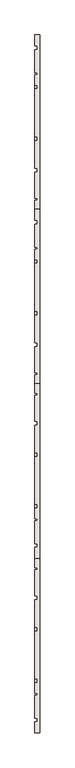
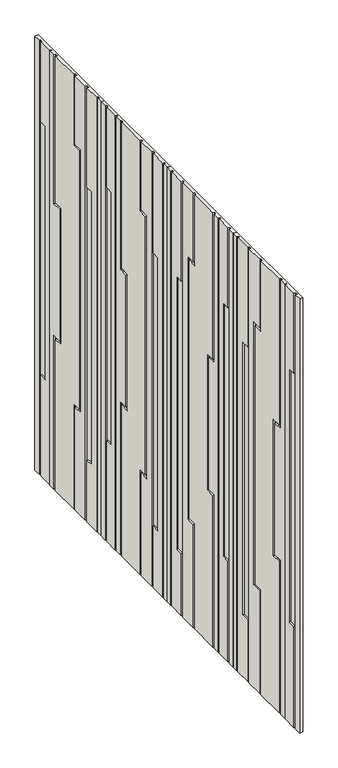
"""IFC4 building model written with IfcOpenShell, lengths in millimetres: wall geometry."""

from ifc_helpers import new_model, si_unit, origin, place, context, project, spatial, faceted_brep, source, transform, mapped, element, save


def wall_3038b630(model_context):
    return source(origin(), model_context, "Body", "Brep", [
        faceted_brep([(9222.7910444, 5882.6090398, 6736.0), (9222.7910444, 5882.6090398, 4508.0), (9222.7910444, 5876.6090398, 4508.0), (9222.7910444, 5876.6090398, 6736.0), (9222.7910444, 5793.6090398, 6736.0), (9222.7910444, 5793.6090398, 6225.0), (9222.7910444, 5833.6090398, 6225.0), (9222.7910444, 5833.6090398, 4825.0), (9222.7910444, 5793.6090398, 4825.0), (9222.7910444, 5793.6090398, 4508.0), (9222.7910444, 5781.6090398, 4508.0), (9222.7910444, 5781.6090398, 6736.0), (9222.7910444, 5693.077738, 5035.0), (9222.7910444, 5693.077738, 4508.0), (9222.7910444, 5681.077738, 4508.0), (9222.7910444, 5681.077738, 5047.0), (9222.7910444, 5729.077738, 5047.0), (9222.7910444, 5729.077738, 6373.0), (9222.7910444, 5681.077738, 6373.0), (9222.7910444, 5681.077738, 6736.0), (9222.7910444, 5693.077738, 6736.0), (9222.7910444, 5693.077738, 6385.0), (9222.7910444, 5741.077738, 6385.0), (9222.7910444, 5741.077738, 5035.0), (9222.7910444, 5528.6090398, 6736.0), (9222.7910444, 5528.6090398, 5985.0), (9222.7910444, 5576.6090398, 5985.0), (9222.7910444, 5576.6090398, 5285.0), (9222.7910444, 5528.6090398, 5285.0), (9222.7910444, 5528.6090398, 4508.0), (9222.7910444, 5516.6090398, 4508.0), (9222.7910444, 5516.6090398, 5297.0), (9222.7910444, 5564.6090398, 5297.0), (9222.7910444, 5564.6090398, 5973.0), (9222.7910444, 5516.6090398, 5973.0), (9222.7910444, 5516.6090398, 6736.0), (9222.7910444, 5476.6090398, 4508.0), (9222.7910444, 5476.6090398, 6736.0), (9222.7910444, 5482.6090398, 6736.0), (9222.7910444, 5482.6090398, 4508.0), (9222.7910444, 5443.6090398, 5025.0), (9222.7910444, 5403.6090398, 5025.0), (9222.7910444, 5403.6090398, 4508.0), (9222.7910444, 5391.6090398, 4508.0), (9222.7910444, 5391.6090398, 6736.0), (9222.7910444, 5403.6090398, 6736.0), (9222.7910444, 5403.6090398, 6325.0), (9222.7910444, 5443.6090398, 6325.0), (9214.7910444, 5876.6090398, 4508.0), (9214.7910444, 5876.6090398, 6736.0), (9214.7910444, 5882.6090398, 6736.0), (9214.7910444, 5882.6090398, 4508.0), (9214.7910444, 5781.6090398, 4508.0), (9214.7910444, 5781.6090398, 6736.0), (9214.7910444, 5793.6090398, 4825.0), (9214.7910444, 5793.6090398, 4508.0), (9214.7910444, 5833.6090398, 4825.0), (9214.7910444, 5833.6090398, 6225.0), (9214.7910444, 5793.6090398, 6225.0), (9214.7910444, 5793.6090398, 6736.0), (9214.7910444, 5741.077738, 5035.0), (9214.7910444, 5693.077738, 5035.0), (9214.7910444, 5741.077738, 6385.0), (9214.7910444, 5693.077738, 6385.0), (9214.7910444, 5693.077738, 6736.0), (9214.7910444, 5681.077738, 6373.0), (9214.7910444, 5681.077738, 6736.0), (9214.7910444, 5729.077738, 6373.0), (9214.7910444, 5729.077738, 5047.0), (9214.7910444, 5681.077738, 5047.0), (9214.7910444, 5681.077738, 4508.0), (9214.7910444, 5693.077738, 4508.0), (9214.7910444, 5516.6090398, 5973.0), (9214.7910444, 5516.6090398, 6736.0), (9214.7910444, 5564.6090398, 5973.0), (9214.7910444, 5564.6090398, 5297.0), (9214.7910444, 5516.6090398, 5297.0), (9214.7910444, 5516.6090398, 4508.0), (9214.7910444, 5528.6090398, 5285.0), (9214.7910444, 5528.6090398, 4508.0), (9214.7910444, 5576.6090398, 5285.0), (9214.7910444, 5576.6090398, 5985.0), (9214.7910444, 5528.6090398, 5985.0), (9214.7910444, 5528.6090398, 6736.0), (9214.7910444, 5482.6090398, 6736.0), (9214.7910444, 5482.6090398, 4508.0), (9214.7910444, 5476.6090398, 4508.0), (9214.7910444, 5476.6090398, 6736.0), (9214.7910444, 5443.6090398, 6325.0), (9214.7910444, 5443.6090398, 5025.0), (9214.7910444, 5403.6090398, 6325.0), (9214.7910444, 5403.6090398, 6736.0), (9214.7910444, 5391.6090398, 4508.0), (9214.7910444, 5391.6090398, 6736.0), (9214.7910444, 5403.6090398, 5025.0), (9214.7910444, 5403.6090398, 4508.0), (9214.7910444, 5356.3590398, 4508.0), (9214.7910444, 5356.3590398, 6736.0), (9214.7910444, 5912.6090398, 6736.0), (9214.7910444, 5912.6090398, 4508.0), (9230.7910444, 5356.3590398, 4508.0), (9230.7910444, 5912.6090398, 4508.0), (9230.7910444, 5912.6090398, 6736.0), (9230.7910444, 5356.3590398, 6736.0)], [[[0, 1, 2, 3]], [[4, 5, 6, 7, 8, 9, 10, 11]], [[12, 13, 14, 15, 16, 17, 18, 19, 20, 21, 22, 23]], [[24, 25, 26, 27, 28, 29, 30, 31, 32, 33, 34, 35]], [[36, 37, 38, 39]], [[40, 41, 42, 43, 44, 45, 46, 47]], [[3, 2, 48, 49]], [[1, 0, 50, 51]], [[11, 10, 52, 53]], [[9, 8, 54, 55]], [[8, 7, 56, 54]], [[7, 6, 57, 56]], [[6, 5, 58, 57]], [[5, 4, 59, 58]], [[12, 23, 60, 61]], [[23, 22, 62, 60]], [[22, 21, 63, 62]], [[21, 20, 64, 63]], [[19, 18, 65, 66]], [[18, 17, 67, 65]], [[17, 16, 68, 67]], [[16, 15, 69, 68]], [[15, 14, 70, 69]], [[13, 12, 61, 71]], [[35, 34, 72, 73]], [[34, 33, 74, 72]], [[33, 32, 75, 74]], [[32, 31, 76, 75]], [[31, 30, 77, 76]], [[29, 28, 78, 79]], [[28, 27, 80, 78]], [[27, 26, 81, 80]], [[26, 25, 82, 81]], [[25, 24, 83, 82]], [[39, 38, 84, 85]], [[37, 36, 86, 87]], [[40, 47, 88, 89]], [[47, 46, 90, 88]], [[46, 45, 91, 90]], [[44, 43, 92, 93]], [[42, 41, 94, 95]], [[41, 40, 89, 94]], [[96, 97, 93, 92]], [[98, 99, 51, 50]], [[64, 53, 52, 71, 61, 60, 62, 63]], [[59, 49, 48, 55, 54, 56, 57, 58]], [[83, 66, 65, 67, 68, 69, 70, 79, 78, 80, 81, 82]], [[84, 73, 72, 74, 75, 76, 77, 85]], [[91, 87, 86, 95, 94, 89, 88, 90]], [[100, 101, 102, 103]], [[97, 96, 100, 103]], [[103, 102, 98, 50, 0, 3, 49, 59, 4, 11, 53, 64, 20, 19, 66, 83, 24, 35, 73, 84, 38, 37, 87, 91, 45, 44, 93, 97]], [[99, 98, 102, 101]], [[101, 100, 96, 92, 43, 42, 95, 86, 36, 39, 85, 77, 30, 29, 79, 70, 14, 13, 71, 52, 10, 9, 55, 48, 2, 1, 51, 99]]]),
        faceted_brep([(9222.7910444, 5326.3590398, 6736.0), (9222.7910444, 5326.3590398, 4508.0), (9222.7910444, 5320.3590398, 4508.0), (9222.7910444, 5320.3590398, 6736.0), (9222.7910444, 5237.3590398, 6736.0), (9222.7910444, 5237.3590398, 6225.0), (9222.7910444, 5277.3590398, 6225.0), (9222.7910444, 5277.3590398, 4825.0), (9222.7910444, 5237.3590398, 4825.0), (9222.7910444, 5237.3590398, 4508.0), (9222.7910444, 5225.3590398, 4508.0), (9222.7910444, 5225.3590398, 6736.0), (9222.7910444, 5136.827738, 5035.0), (9222.7910444, 5136.827738, 4508.0), (9222.7910444, 5124.827738, 4508.0), (9222.7910444, 5124.827738, 5047.0), (9222.7910444, 5172.827738, 5047.0), (9222.7910444, 5172.827738, 6373.0), (9222.7910444, 5124.827738, 6373.0), (9222.7910444, 5124.827738, 6736.0), (9222.7910444, 5136.827738, 6736.0), (9222.7910444, 5136.827738, 6385.0), (9222.7910444, 5184.827738, 6385.0), (9222.7910444, 5184.827738, 5035.0), (9222.7910444, 4972.3590398, 6736.0), (9222.7910444, 4972.3590398, 5985.0), (9222.7910444, 5020.3590398, 5985.0), (9222.7910444, 5020.3590398, 5285.0), (9222.7910444, 4972.3590398, 5285.0), (9222.7910444, 4972.3590398, 4508.0), (9222.7910444, 4960.3590398, 4508.0), (9222.7910444, 4960.3590398, 5297.0), (9222.7910444, 5008.3590398, 5297.0), (9222.7910444, 5008.3590398, 5973.0), (9222.7910444, 4960.3590398, 5973.0), (9222.7910444, 4960.3590398, 6736.0), (9222.7910444, 4920.3590398, 4508.0), (9222.7910444, 4920.3590398, 6736.0), (9222.7910444, 4926.3590398, 6736.0), (9222.7910444, 4926.3590398, 4508.0), (9222.7910444, 4887.3590398, 5025.0), (9222.7910444, 4847.3590398, 5025.0), (9222.7910444, 4847.3590398, 4508.0), (9222.7910444, 4835.3590398, 4508.0), (9222.7910444, 4835.3590398, 6736.0), (9222.7910444, 4847.3590398, 6736.0), (9222.7910444, 4847.3590398, 6325.0), (9222.7910444, 4887.3590398, 6325.0), (9214.7910444, 5320.3590398, 4508.0), (9214.7910444, 5320.3590398, 6736.0), (9214.7910444, 5326.3590398, 6736.0), (9214.7910444, 5326.3590398, 4508.0), (9214.7910444, 5225.3590398, 4508.0), (9214.7910444, 5225.3590398, 6736.0), (9214.7910444, 5237.3590398, 4825.0), (9214.7910444, 5237.3590398, 4508.0), (9214.7910444, 5277.3590398, 4825.0), (9214.7910444, 5277.3590398, 6225.0), (9214.7910444, 5237.3590398, 6225.0), (9214.7910444, 5237.3590398, 6736.0), (9214.7910444, 5184.827738, 5035.0), (9214.7910444, 5136.827738, 5035.0), (9214.7910444, 5184.827738, 6385.0), (9214.7910444, 5136.827738, 6385.0), (9214.7910444, 5136.827738, 6736.0), (9214.7910444, 5124.827738, 6373.0), (9214.7910444, 5124.827738, 6736.0), (9214.7910444, 5172.827738, 6373.0), (9214.7910444, 5172.827738, 5047.0), (9214.7910444, 5124.827738, 5047.0), (9214.7910444, 5124.827738, 4508.0), (9214.7910444, 5136.827738, 4508.0), (9214.7910444, 4960.3590398, 5973.0), (9214.7910444, 4960.3590398, 6736.0), (9214.7910444, 5008.3590398, 5973.0), (9214.7910444, 5008.3590398, 5297.0), (9214.7910444, 4960.3590398, 5297.0), (9214.7910444, 4960.3590398, 4508.0), (9214.7910444, 4972.3590398, 5285.0), (9214.7910444, 4972.3590398, 4508.0), (9214.7910444, 5020.3590398, 5285.0), (9214.7910444, 5020.3590398, 5985.0), (9214.7910444, 4972.3590398, 5985.0), (9214.7910444, 4972.3590398, 6736.0), (9214.7910444, 4926.3590398, 6736.0), (9214.7910444, 4926.3590398, 4508.0), (9214.7910444, 4920.3590398, 4508.0), (9214.7910444, 4920.3590398, 6736.0), (9214.7910444, 4887.3590398, 6325.0), (9214.7910444, 4887.3590398, 5025.0), (9214.7910444, 4847.3590398, 6325.0), (9214.7910444, 4847.3590398, 6736.0), (9214.7910444, 4835.3590398, 4508.0), (9214.7910444, 4835.3590398, 6736.0), (9214.7910444, 4847.3590398, 5025.0), (9214.7910444, 4847.3590398, 4508.0), (9214.7910444, 4800.1090398, 4508.0), (9214.7910444, 4800.1090398, 6736.0), (9214.7910444, 5355.8590398, 6736.0), (9214.7910444, 5355.8590398, 4508.0), (9230.7910444, 4800.1090398, 4508.0), (9230.7910444, 5355.8590398, 4508.0), (9230.7910444, 5355.8590398, 6736.0), (9230.7910444, 4800.1090398, 6736.0)], [[[0, 1, 2, 3]], [[4, 5, 6, 7, 8, 9, 10, 11]], [[12, 13, 14, 15, 16, 17, 18, 19, 20, 21, 22, 23]], [[24, 25, 26, 27, 28, 29, 30, 31, 32, 33, 34, 35]], [[36, 37, 38, 39]], [[40, 41, 42, 43, 44, 45, 46, 47]], [[3, 2, 48, 49]], [[1, 0, 50, 51]], [[11, 10, 52, 53]], [[9, 8, 54, 55]], [[8, 7, 56, 54]], [[7, 6, 57, 56]], [[6, 5, 58, 57]], [[5, 4, 59, 58]], [[12, 23, 60, 61]], [[23, 22, 62, 60]], [[22, 21, 63, 62]], [[21, 20, 64, 63]], [[19, 18, 65, 66]], [[18, 17, 67, 65]], [[17, 16, 68, 67]], [[16, 15, 69, 68]], [[15, 14, 70, 69]], [[13, 12, 61, 71]], [[35, 34, 72, 73]], [[34, 33, 74, 72]], [[33, 32, 75, 74]], [[32, 31, 76, 75]], [[31, 30, 77, 76]], [[29, 28, 78, 79]], [[28, 27, 80, 78]], [[27, 26, 81, 80]], [[26, 25, 82, 81]], [[25, 24, 83, 82]], [[39, 38, 84, 85]], [[37, 36, 86, 87]], [[40, 47, 88, 89]], [[47, 46, 90, 88]], [[46, 45, 91, 90]], [[44, 43, 92, 93]], [[42, 41, 94, 95]], [[41, 40, 89, 94]], [[96, 97, 93, 92]], [[98, 99, 51, 50]], [[64, 53, 52, 71, 61, 60, 62, 63]], [[59, 49, 48, 55, 54, 56, 57, 58]], [[83, 66, 65, 67, 68, 69, 70, 79, 78, 80, 81, 82]], [[84, 73, 72, 74, 75, 76, 77, 85]], [[91, 87, 86, 95, 94, 89, 88, 90]], [[100, 101, 102, 103]], [[97, 96, 100, 103]], [[103, 102, 98, 50, 0, 3, 49, 59, 4, 11, 53, 64, 20, 19, 66, 83, 24, 35, 73, 84, 38, 37, 87, 91, 45, 44, 93, 97]], [[99, 98, 102, 101]], [[101, 100, 96, 92, 43, 42, 95, 86, 36, 39, 85, 77, 30, 29, 79, 70, 14, 13, 71, 52, 10, 9, 55, 48, 2, 1, 51, 99]]]),
        faceted_brep([(9222.7910444, 6504.8590398, 6736.0), (9222.7910444, 6504.8590398, 4508.0), (9222.7910444, 6498.8590398, 4508.0), (9222.7910444, 6498.8590398, 6736.0), (9222.7910444, 6599.8590398, 6736.0), (9222.7910444, 6599.8590398, 4508.0), (9222.7910444, 6587.8590398, 4508.0), (9222.7910444, 6587.8590398, 4825.0), (9222.7910444, 6547.8590398, 4825.0), (9222.7910444, 6547.8590398, 6225.0), (9222.7910444, 6587.8590398, 6225.0), (9222.7910444, 6587.8590398, 6736.0), (9222.7910444, 6688.3903416, 5035.0), (9222.7910444, 6640.3903416, 5035.0), (9222.7910444, 6640.3903416, 6385.0), (9222.7910444, 6688.3903416, 6385.0), (9222.7910444, 6688.3903416, 6736.0), (9222.7910444, 6700.3903416, 6736.0), (9222.7910444, 6700.3903416, 6373.0), (9222.7910444, 6652.3903416, 6373.0), (9222.7910444, 6652.3903416, 5047.0), (9222.7910444, 6700.3903416, 5047.0), (9222.7910444, 6700.3903416, 4508.0), (9222.7910444, 6688.3903416, 4508.0), (9222.7910444, 6864.8590398, 6736.0), (9222.7910444, 6864.8590398, 5973.0), (9222.7910444, 6816.8590398, 5973.0), (9222.7910444, 6816.8590398, 5297.0), (9222.7910444, 6864.8590398, 5297.0), (9222.7910444, 6864.8590398, 4508.0), (9222.7910444, 6852.8590398, 4508.0), (9222.7910444, 6852.8590398, 5285.0), (9222.7910444, 6804.8590398, 5285.0), (9222.7910444, 6804.8590398, 5985.0), (9222.7910444, 6852.8590398, 5985.0), (9222.7910444, 6852.8590398, 6736.0), (9222.7910444, 6898.8590398, 4508.0), (9222.7910444, 6898.8590398, 6736.0), (9222.7910444, 6904.8590398, 6736.0), (9222.7910444, 6904.8590398, 4508.0), (9222.7910444, 6937.8590398, 5025.0), (9222.7910444, 6937.8590398, 6325.0), (9222.7910444, 6977.8590398, 6325.0), (9222.7910444, 6977.8590398, 6736.0), (9222.7910444, 6989.8590398, 6736.0), (9222.7910444, 6989.8590398, 4508.0), (9222.7910444, 6977.8590398, 4508.0), (9222.7910444, 6977.8590398, 5025.0), (9214.7910444, 6469.3590398, 4508.0), (9214.7910444, 6469.3590398, 6736.0), (9214.7910444, 6498.8590398, 6736.0), (9214.7910444, 6498.8590398, 4508.0), (9214.7910444, 7025.1090398, 6736.0), (9214.7910444, 7025.1090398, 4508.0), (9214.7910444, 6989.8590398, 4508.0), (9214.7910444, 6989.8590398, 6736.0), (9214.7910444, 6504.8590398, 6736.0), (9214.7910444, 6587.8590398, 6736.0), (9214.7910444, 6587.8590398, 6225.0), (9214.7910444, 6547.8590398, 6225.0), (9214.7910444, 6547.8590398, 4825.0), (9214.7910444, 6587.8590398, 4825.0), (9214.7910444, 6587.8590398, 4508.0), (9214.7910444, 6504.8590398, 4508.0), (9214.7910444, 6599.8590398, 6736.0), (9214.7910444, 6688.3903416, 6736.0), (9214.7910444, 6688.3903416, 6385.0), (9214.7910444, 6640.3903416, 6385.0), (9214.7910444, 6640.3903416, 5035.0), (9214.7910444, 6688.3903416, 5035.0), (9214.7910444, 6688.3903416, 4508.0), (9214.7910444, 6599.8590398, 4508.0), (9214.7910444, 6700.3903416, 6736.0), (9214.7910444, 6852.8590398, 6736.0), (9214.7910444, 6852.8590398, 5985.0), (9214.7910444, 6804.8590398, 5985.0), (9214.7910444, 6804.8590398, 5285.0), (9214.7910444, 6852.8590398, 5285.0), (9214.7910444, 6852.8590398, 4508.0), (9214.7910444, 6700.3903416, 4508.0), (9214.7910444, 6700.3903416, 5047.0), (9214.7910444, 6652.3903416, 5047.0), (9214.7910444, 6652.3903416, 6373.0), (9214.7910444, 6700.3903416, 6373.0), (9214.7910444, 6864.8590398, 6736.0), (9214.7910444, 6898.8590398, 6736.0), (9214.7910444, 6898.8590398, 4508.0), (9214.7910444, 6864.8590398, 4508.0), (9214.7910444, 6864.8590398, 5297.0), (9214.7910444, 6816.8590398, 5297.0), (9214.7910444, 6816.8590398, 5973.0), (9214.7910444, 6864.8590398, 5973.0), (9214.7910444, 6904.8590398, 6736.0), (9214.7910444, 6977.8590398, 6736.0), (9214.7910444, 6977.8590398, 6325.0), (9214.7910444, 6937.8590398, 6325.0), (9214.7910444, 6937.8590398, 5025.0), (9214.7910444, 6977.8590398, 5025.0), (9214.7910444, 6977.8590398, 4508.0), (9214.7910444, 6904.8590398, 4508.0), (9230.7910444, 6469.3590398, 4508.0), (9230.7910444, 7025.1090398, 4508.0), (9230.7910444, 7025.1090398, 6736.0), (9230.7910444, 6469.3590398, 6736.0)], [[[0, 1, 2, 3]], [[4, 5, 6, 7, 8, 9, 10, 11]], [[12, 13, 14, 15, 16, 17, 18, 19, 20, 21, 22, 23]], [[24, 25, 26, 27, 28, 29, 30, 31, 32, 33, 34, 35]], [[36, 37, 38, 39]], [[40, 41, 42, 43, 44, 45, 46, 47]], [[48, 49, 50, 51]], [[52, 53, 54, 55]], [[56, 57, 58, 59, 60, 61, 62, 63]], [[64, 65, 66, 67, 68, 69, 70, 71]], [[72, 73, 74, 75, 76, 77, 78, 79, 80, 81, 82, 83]], [[84, 85, 86, 87, 88, 89, 90, 91]], [[92, 93, 94, 95, 96, 97, 98, 99]], [[100, 101, 102, 103]], [[49, 48, 100, 103]], [[103, 102, 52, 55, 44, 43, 93, 92, 38, 37, 85, 84, 24, 35, 73, 72, 17, 16, 65, 64, 4, 11, 57, 56, 0, 3, 50, 49]], [[53, 52, 102, 101]], [[101, 100, 48, 51, 2, 1, 63, 62, 6, 5, 71, 70, 23, 22, 79, 78, 30, 29, 87, 86, 36, 39, 99, 98, 46, 45, 54, 53]], [[1, 0, 56, 63]], [[3, 2, 51, 50]], [[5, 4, 64, 71]], [[7, 6, 62, 61]], [[8, 7, 61, 60]], [[9, 8, 60, 59]], [[10, 9, 59, 58]], [[11, 10, 58, 57]], [[13, 12, 69, 68]], [[14, 13, 68, 67]], [[15, 14, 67, 66]], [[16, 15, 66, 65]], [[18, 17, 72, 83]], [[19, 18, 83, 82]], [[20, 19, 82, 81]], [[21, 20, 81, 80]], [[22, 21, 80, 79]], [[12, 23, 70, 69]], [[25, 24, 84, 91]], [[26, 25, 91, 90]], [[27, 26, 90, 89]], [[28, 27, 89, 88]], [[29, 28, 88, 87]], [[31, 30, 78, 77]], [[32, 31, 77, 76]], [[33, 32, 76, 75]], [[34, 33, 75, 74]], [[35, 34, 74, 73]], [[37, 36, 86, 85]], [[39, 38, 92, 99]], [[41, 40, 96, 95]], [[42, 41, 95, 94]], [[43, 42, 94, 93]], [[45, 44, 55, 54]], [[47, 46, 98, 97]], [[40, 47, 97, 96]]]),
        faceted_brep([(9222.7910444, 5948.6090398, 6736.0), (9222.7910444, 5948.6090398, 4508.0), (9222.7910444, 5942.6090398, 4508.0), (9222.7910444, 5942.6090398, 6736.0), (9222.7910444, 6043.6090398, 6736.0), (9222.7910444, 6043.6090398, 4508.0), (9222.7910444, 6031.6090398, 4508.0), (9222.7910444, 6031.6090398, 4825.0), (9222.7910444, 5991.6090398, 4825.0), (9222.7910444, 5991.6090398, 6225.0), (9222.7910444, 6031.6090398, 6225.0), (9222.7910444, 6031.6090398, 6736.0), (9222.7910444, 6132.1403416, 5035.0), (9222.7910444, 6084.1403416, 5035.0), (9222.7910444, 6084.1403416, 6385.0), (9222.7910444, 6132.1403416, 6385.0), (9222.7910444, 6132.1403416, 6736.0), (9222.7910444, 6144.1403416, 6736.0), (9222.7910444, 6144.1403416, 6373.0), (9222.7910444, 6096.1403416, 6373.0), (9222.7910444, 6096.1403416, 5047.0), (9222.7910444, 6144.1403416, 5047.0), (9222.7910444, 6144.1403416, 4508.0), (9222.7910444, 6132.1403416, 4508.0), (9222.7910444, 6308.6090398, 6736.0), (9222.7910444, 6308.6090398, 5973.0), (9222.7910444, 6260.6090398, 5973.0), (9222.7910444, 6260.6090398, 5297.0), (9222.7910444, 6308.6090398, 5297.0), (9222.7910444, 6308.6090398, 4508.0), (9222.7910444, 6296.6090398, 4508.0), (9222.7910444, 6296.6090398, 5285.0), (9222.7910444, 6248.6090398, 5285.0), (9222.7910444, 6248.6090398, 5985.0), (9222.7910444, 6296.6090398, 5985.0), (9222.7910444, 6296.6090398, 6736.0), (9222.7910444, 6342.6090398, 4508.0), (9222.7910444, 6342.6090398, 6736.0), (9222.7910444, 6348.6090398, 6736.0), (9222.7910444, 6348.6090398, 4508.0), (9222.7910444, 6381.6090398, 5025.0), (9222.7910444, 6381.6090398, 6325.0), (9222.7910444, 6421.6090398, 6325.0), (9222.7910444, 6421.6090398, 6736.0), (9222.7910444, 6433.6090398, 6736.0), (9222.7910444, 6433.6090398, 4508.0), (9222.7910444, 6421.6090398, 4508.0), (9222.7910444, 6421.6090398, 5025.0), (9214.7910444, 5913.1090398, 4508.0), (9214.7910444, 5913.1090398, 6736.0), (9214.7910444, 5942.6090398, 6736.0), (9214.7910444, 5942.6090398, 4508.0), (9214.7910444, 6468.8474562, 6736.0), (9214.7910444, 6468.8474562, 4508.0), (9214.7910444, 6433.6090398, 4508.0), (9214.7910444, 6433.6090398, 6736.0), (9214.7910444, 5948.6090398, 6736.0), (9214.7910444, 6031.6090398, 6736.0), (9214.7910444, 6031.6090398, 6225.0), (9214.7910444, 5991.6090398, 6225.0), (9214.7910444, 5991.6090398, 4825.0), (9214.7910444, 6031.6090398, 4825.0), (9214.7910444, 6031.6090398, 4508.0), (9214.7910444, 5948.6090398, 4508.0), (9214.7910444, 6043.6090398, 6736.0), (9214.7910444, 6132.1403416, 6736.0), (9214.7910444, 6132.1403416, 6385.0), (9214.7910444, 6084.1403416, 6385.0), (9214.7910444, 6084.1403416, 5035.0), (9214.7910444, 6132.1403416, 5035.0), (9214.7910444, 6132.1403416, 4508.0), (9214.7910444, 6043.6090398, 4508.0), (9214.7910444, 6144.1403416, 6736.0), (9214.7910444, 6296.6090398, 6736.0), (9214.7910444, 6296.6090398, 5985.0), (9214.7910444, 6248.6090398, 5985.0), (9214.7910444, 6248.6090398, 5285.0), (9214.7910444, 6296.6090398, 5285.0), (9214.7910444, 6296.6090398, 4508.0), (9214.7910444, 6144.1403416, 4508.0), (9214.7910444, 6144.1403416, 5047.0), (9214.7910444, 6096.1403416, 5047.0), (9214.7910444, 6096.1403416, 6373.0), (9214.7910444, 6144.1403416, 6373.0), (9214.7910444, 6308.6090398, 6736.0), (9214.7910444, 6342.6090398, 6736.0), (9214.7910444, 6342.6090398, 4508.0), (9214.7910444, 6308.6090398, 4508.0), (9214.7910444, 6308.6090398, 5297.0), (9214.7910444, 6260.6090398, 5297.0), (9214.7910444, 6260.6090398, 5973.0), (9214.7910444, 6308.6090398, 5973.0), (9214.7910444, 6348.6090398, 6736.0), (9214.7910444, 6421.6090398, 6736.0), (9214.7910444, 6421.6090398, 6325.0), (9214.7910444, 6381.6090398, 6325.0), (9214.7910444, 6381.6090398, 5025.0), (9214.7910444, 6421.6090398, 5025.0), (9214.7910444, 6421.6090398, 4508.0), (9214.7910444, 6348.6090398, 4508.0), (9230.7910444, 5913.1090398, 4508.0), (9230.7910444, 6468.8474562, 4508.0), (9230.7910444, 6468.8474562, 6736.0), (9230.7910444, 5913.1090398, 6736.0)], [[[0, 1, 2, 3]], [[4, 5, 6, 7, 8, 9, 10, 11]], [[12, 13, 14, 15, 16, 17, 18, 19, 20, 21, 22, 23]], [[24, 25, 26, 27, 28, 29, 30, 31, 32, 33, 34, 35]], [[36, 37, 38, 39]], [[40, 41, 42, 43, 44, 45, 46, 47]], [[48, 49, 50, 51]], [[52, 53, 54, 55]], [[56, 57, 58, 59, 60, 61, 62, 63]], [[64, 65, 66, 67, 68, 69, 70, 71]], [[72, 73, 74, 75, 76, 77, 78, 79, 80, 81, 82, 83]], [[84, 85, 86, 87, 88, 89, 90, 91]], [[92, 93, 94, 95, 96, 97, 98, 99]], [[100, 101, 102, 103]], [[49, 48, 100, 103]], [[103, 102, 52, 55, 44, 43, 93, 92, 38, 37, 85, 84, 24, 35, 73, 72, 17, 16, 65, 64, 4, 11, 57, 56, 0, 3, 50, 49]], [[53, 52, 102, 101]], [[101, 100, 48, 51, 2, 1, 63, 62, 6, 5, 71, 70, 23, 22, 79, 78, 30, 29, 87, 86, 36, 39, 99, 98, 46, 45, 54, 53]], [[1, 0, 56, 63]], [[3, 2, 51, 50]], [[5, 4, 64, 71]], [[7, 6, 62, 61]], [[8, 7, 61, 60]], [[9, 8, 60, 59]], [[10, 9, 59, 58]], [[11, 10, 58, 57]], [[13, 12, 69, 68]], [[14, 13, 68, 67]], [[15, 14, 67, 66]], [[16, 15, 66, 65]], [[18, 17, 72, 83]], [[19, 18, 83, 82]], [[20, 19, 82, 81]], [[21, 20, 81, 80]], [[22, 21, 80, 79]], [[12, 23, 70, 69]], [[25, 24, 84, 91]], [[26, 25, 91, 90]], [[27, 26, 90, 89]], [[28, 27, 89, 88]], [[29, 28, 88, 87]], [[31, 30, 78, 77]], [[32, 31, 77, 76]], [[33, 32, 76, 75]], [[34, 33, 75, 74]], [[35, 34, 74, 73]], [[37, 36, 86, 85]], [[39, 38, 92, 99]], [[41, 40, 96, 95]], [[42, 41, 95, 94]], [[43, 42, 94, 93]], [[45, 44, 55, 54]], [[47, 46, 98, 97]], [[40, 47, 97, 96]]]),
    ])


if __name__ == "__main__":
    model = new_model("IFC4")
    model_context = context("Model", 3, world=origin())
    ifc_project = project(units=[si_unit("LENGTHUNIT", "METRE", prefix="MILLI")], contexts=[model_context])
    site = spatial("IfcSite", under=ifc_project)
    building = spatial("IfcBuilding", under=site)
    placement = place(None, origin())
    wall_shape = wall_3038b630(model_context)
    element("IfcWall", 1, at=placement, inside=building, context=model_context, shape_type="MappedRepresentation", body=[
        mapped(wall_shape, transform((0.0, 0.0, 0.0), x_axis=(1.0, 0.0, 0.0), y_axis=(0.0, 1.0, 0.0), z_axis=(0.0, 0.0, 1.0))),
    ])
    save(model, "model.ifc")
